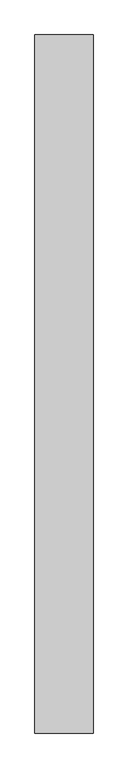
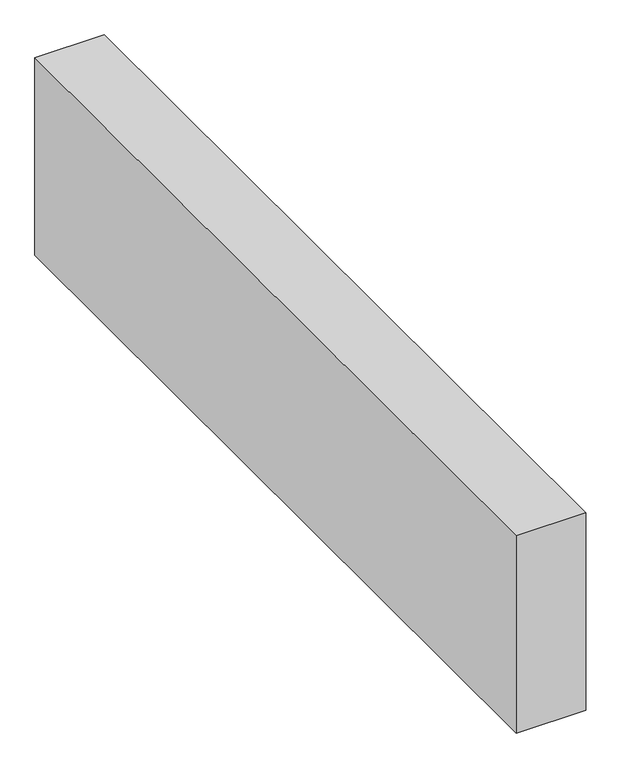
"""IFC4 building model written with IfcOpenShell, lengths in millimetres: proxy geometry."""

from ifc_helpers import new_model, si_unit, frame, origin, place, context, project, spatial, polyline, outline, extrude, source, transform, mapped, element, save


def generic_models_b896232c(model_context):
    return source(origin(), model_context, "Body", "SweptSolid", [
        extrude(outline(polyline([(500.0, 6000.0), (500.0, 0.0), (0.0, 0.0), (0.0, 6000.0), (500.0, 6000.0)])), frame((0.0, 0.0, 3000.0), z_axis=(0.0, 0.0, 1.0), x_axis=(1.0, 0.0, 0.0)), (0.0, 0.0, 1.0), 1500.0),
    ])


if __name__ == "__main__":
    model = new_model("IFC4")
    model_context = context("Model", 3, world=origin())
    ifc_project = project(units=[si_unit("LENGTHUNIT", "METRE", prefix="MILLI")], contexts=[model_context])
    site = spatial("IfcSite", under=ifc_project)
    building = spatial("IfcBuilding", under=site)
    placement = place(None, origin())
    generic_models_shape = generic_models_b896232c(model_context)
    element("IfcBuildingElementProxy", 1, Name="Generic Models", at=placement, inside=building, context=model_context, shape_type="MappedRepresentation", body=[
        mapped(generic_models_shape, transform((0.0, 0.0, 0.0), x_axis=(1.0, 0.0, 0.0), y_axis=(0.0, 1.0, 0.0), z_axis=(0.0, 0.0, 1.0))),
    ])
    save(model, "model.ifc")
